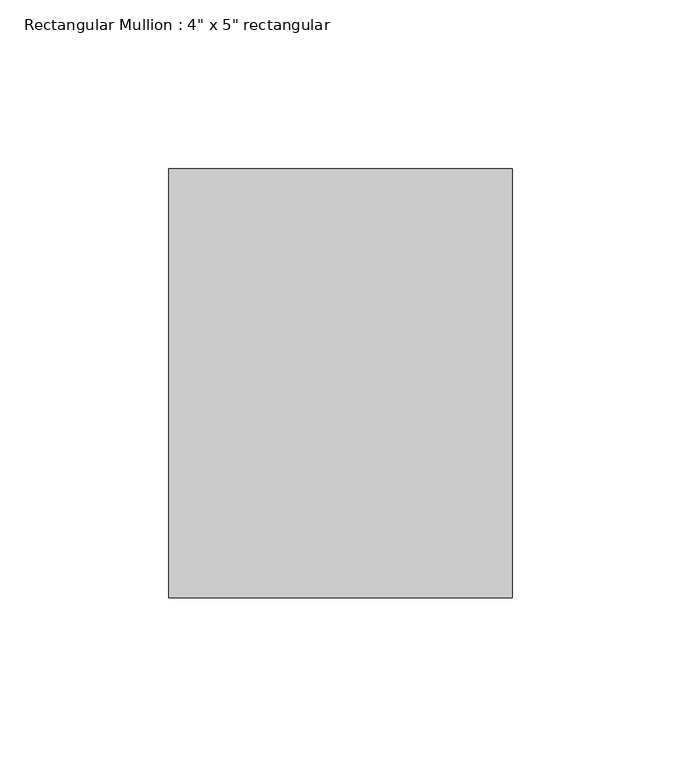
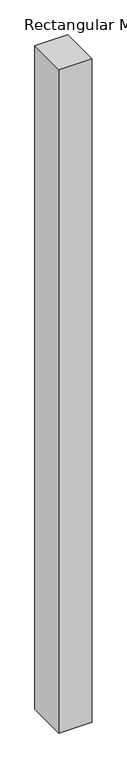
"""IFC4 building model written with IfcOpenShell, lengths in millimetres: member geometry."""

from ifc_helpers import new_model, si_unit, frame, origin, place, context, project, spatial, polyline, outline, extrude, source, transform, mapped, element, save


def member_7a38ea5a(model_context):
    return source(origin(), model_context, "Body", "SweptSolid", [
        extrude(outline(polyline([(50.8, 63.5), (50.8, -63.5), (-50.8, -63.5), (-50.8, 63.5), (50.8, 63.5)])), frame((0.0, 0.0, -2159.0), z_axis=(0.0, 0.0, 1.0), x_axis=(1.0, 0.0, 0.0)), (0.0, 0.0, 1.0), 2159.0),
    ])


if __name__ == "__main__":
    model = new_model("IFC4")
    model_context = context("Model", 3, world=origin())
    ifc_project = project(units=[si_unit("LENGTHUNIT", "METRE", prefix="MILLI")], contexts=[model_context])
    site = spatial("IfcSite", under=ifc_project)
    building = spatial("IfcBuilding", under=site)
    placement = place(None, origin())
    member_shape = member_7a38ea5a(model_context)
    element("IfcMember", 1, ObjectType="Rectangular Mullion : 4\" x 5\" rectangular", at=placement, inside=building, context=model_context, shape_type="MappedRepresentation", body=[
        mapped(member_shape, transform((0.0, 0.0, 0.0), x_axis=(1.0, 0.0, 0.0), y_axis=(0.0, 1.0, 0.0), z_axis=(0.0, 0.0, 1.0))),
    ])
    save(model, "model.ifc")
